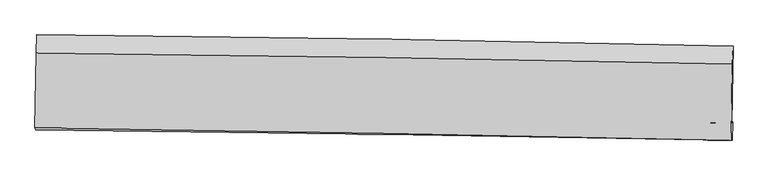
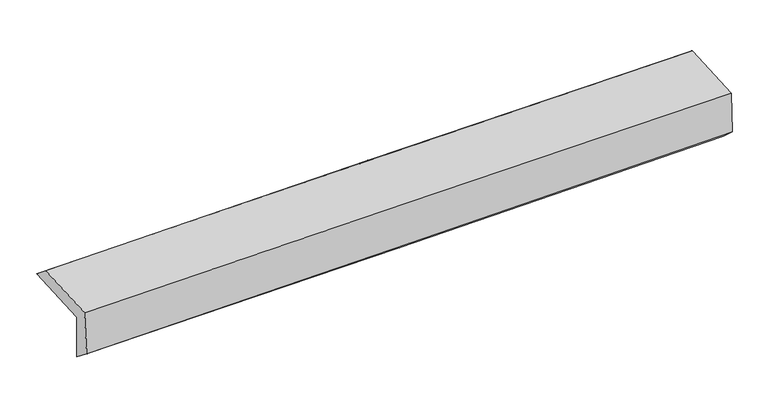
"""IFC4 building model written with IfcOpenShell, lengths in millimetres: proxy geometry."""

from ifc_helpers import new_model, si_unit, frame, origin, place, context, project, spatial, source, transform, mapped, element, save
from ifc_brep_helpers import plane_surface, spline_curve, spline_surface, advanced_brep


def generic_models_4988b877(model_context):
    return source(origin(), model_context, "Body", "AdvancedBrep", [
        advanced_brep(
        [(-3025.2623597, -1755.0687624, 1957.280046), (-3013.8103549, -1085.5202357, 1979.511141), (3013.8080868, -1183.4211284, 2118.2200656), (3002.2021264, -1848.7910188, 2106.2079069), (-3016.0022575, -1741.8293996, 1553.771239), (3011.4263046, -1841.8909834, 1699.2465144), (-3022.1299747, -1912.6823459, 1691.4324969), (3005.3673255, -1999.9530703, 1844.0415476), (-3030.7297798, -1894.1467359, 2090.7728107), (2996.816992, -2000.2488621, 2226.1417078), (-3019.5408571, -1244.5931774, 2108.8113289), (3008.085049, -1341.454954, 2248.015716)],
        [
            (0, 1),
            (1, 2, spline_curve(3, [(-3013.8103549, -1085.5202357, 1979.511141), (-2009.034938918, -1094.810374521, 2000.649357443), (-1004.347023916, -1107.613820626, 2022.777509244), (1004.859124459, -1140.247414374, 2069.01380697), (2009.377356323, -1160.077599006, 2093.121963282), (3013.8080868, -1183.4211284, 2118.2200656)], [4, 2, 4], [0.0, 9.891918988243528, 19.78389035601039])),
            (2, 3),
            (3, 0, spline_curve(3, [(3002.2021264, -1848.7910188, 2106.2079069), (1998.154115635, -1827.099684053, 2062.677638313), (993.840072704, -1808.443815935, 2028.501840878), (-1015.314758897, -1777.203095777, 1978.859319755), (-2020.155544648, -1764.618211942, 1963.392496852), (-3025.2623597, -1755.0687624, 1957.280046)], [4, 2, 4], [0.0, 9.89197136776686, 19.78389035601039])),
            (4, 0),
            (3, 5),
            (5, 4, spline_curve(3, [(3011.4263046, -1841.8909834, 1699.2465144), (2007.319820363, -1817.139263291, 1660.773213635), (1002.979534421, -1796.424926626, 1629.413610274), (-1006.163322046, -1763.071108281, 1580.921926912), (-2010.965890055, -1750.431583789, 1563.789771783), (-3016.0022575, -1741.8293996, 1553.771239)], [4, 2, 4], [0.0, 9.892187093578924, 19.784321806492216])),
            (6, 4),
            (5, 7),
            (7, 6, spline_curve(3, [(3005.3673255, -1999.9530703, 1844.0415476), (2000.997165932, -1981.924629865, 1811.993376072), (996.519314405, -1965.637834671, 1783.25184441), (-1012.646453568, -1936.547611347, 1732.382196072), (-2017.334368755, -1923.744165369, 1710.254044009), (-3022.1299747, -1912.6823459, 1691.4324969)], [4, 2, 4], [0.0, 9.89198555556591, 19.783918731533362])),
            (8, 6),
            (7, 9),
            (9, 8, spline_curve(3, [(2996.816992, -2000.2488621, 2226.1417078), (1992.308148604, -1979.466751401, 2202.492420187), (987.756832438, -1960.233833069, 2179.387006449), (-1021.425424958, -1924.866474169, 2134.264046818), (-2026.05636625, -1908.732016993, 2112.246494743), (-3030.7297798, -1894.1467359, 2090.7728107)], [4, 2, 4], [0.0, 9.891823115374658, 19.783593852011002])),
            (10, 8),
            (9, 11),
            (11, 10, spline_curve(3, [(3008.085049, -1341.454954, 2248.015716), (2003.650586294, -1318.630983187, 2222.669882203), (999.129866352, -1299.147170346, 2198.396571735), (-1010.078770202, -1266.859947137, 2151.995120917), (-2014.766685155, -1254.056500778, 2129.86696882), (-3019.5408571, -1244.5931774, 2108.8113289)], [4, 2, 4], [0.0, 9.891802627658658, 19.783552876687487])),
            (1, 10),
            (11, 2),
        ],
        [
            spline_surface(3, 3, [[(-3025.2623597, -1755.0687624, 1957.280046), (-2020.155544533, -1764.618211845, 1963.392496834), (-1015.314758849, -1777.203095877, 1978.859319691), (993.840072656, -1808.443815836, 2028.501840942), (1998.154115697, -1827.099683993, 2062.67763835), (3002.2021264, -1848.7910188, 2106.2079069)], [(-3021.445024765, -1531.885920167, 1964.690410993), (-2016.448676006, -1541.348932708, 1975.811450328), (-1011.658847152, -1554.00667079, 1993.498716225), (997.513089899, -1585.711681989, 2042.005829628), (2001.895195945, -1604.758989021, 2072.825746622), (3006.070779863, -1627.001055344, 2110.211959769)], [(-3017.627689835, -1308.703077933, 1972.100776007), (-2012.741807486, -1318.079653571, 1988.230403842), (-1008.002935497, -1330.810245748, 2008.138112719), (1001.1861071, -1362.979548185, 2055.509818276), (2005.636276203, -1382.418294016, 2082.973854986), (3009.939433337, -1405.211091856, 2114.216012731)], [(-3013.8103549, -1085.5202357, 1979.511141), (-2009.034938959, -1094.810374434, 2000.649357335), (-1004.3470238, -1107.613820662, 2022.777509252), (1004.859124343, -1140.247414338, 2069.013806962), (2009.377356451, -1160.077599044, 2093.121963258), (3013.8080868, -1183.4211284, 2118.2200656)]], [4, 4], [4, 2, 4], [0.0, 2.1991922586759323], [0.0, 9.891918988243528, 19.78389035601039]),
            spline_surface(3, 3, [[(-3016.0022575, -1741.8293996, 1553.771239), (-2010.965890096, -1750.431583637, 1563.789771929), (-1006.163322069, -1763.071108192, 1580.921927026), (1002.979534444, -1796.424926715, 1629.41361016), (2007.319820443, -1817.1392634, 1660.773213523), (3011.4263046, -1841.8909834, 1699.2465144)], [(-3019.088958225, -1746.242520544, 1688.274174672), (-2014.029108233, -1755.160459717, 1696.990680236), (-1009.213800998, -1767.78177076, 1713.567724573), (999.933047179, -1800.431223095, 1762.443020413), (2004.264585521, -1820.459403568, 1794.741355151), (3008.351578526, -1844.190995171, 1834.90031192)], [(-3022.175658975, -1750.655641456, 1822.777110328), (-2017.092326396, -1759.889335765, 1830.191588527), (-1012.264279919, -1772.492433309, 1846.213522143), (996.886559922, -1804.437519456, 1895.472430689), (2001.209350619, -1823.779543825, 1928.709496721), (3005.276852474, -1846.491007029, 1970.55410938)], [(-3025.2623597, -1755.0687624, 1957.280046), (-2020.155544533, -1764.618211845, 1963.392496834), (-1015.314758849, -1777.203095877, 1978.859319691), (993.840072656, -1808.443815836, 2028.501840942), (1998.154115697, -1827.099683993, 2062.67763835), (3002.2021264, -1848.7910188, 2106.2079069)]], [4, 4], [4, 2, 4], [0.0, 1.3085043708532442], [0.0, 9.892134712913291, 19.784321806492216]),
            spline_surface(3, 3, [[(-3022.1299747, -1912.6823459, 1691.4324969), (-2017.334368665, -1923.744165271, 1710.254043959), (-1012.646453506, -1936.547611499, 1732.382195976), (996.519314342, -1965.63783452, 1783.251844506), (2000.997165968, -1981.924629761, 1811.993376092), (3005.3673255, -1999.9530703, 1844.0415476)], [(-3020.087402309, -1855.731363799, 1645.545410912), (-2015.211542484, -1865.973304725, 1661.432619928), (-1010.485409703, -1878.722110415, 1681.895439665), (998.672721034, -1909.233531937, 1731.972433063), (2003.10471748, -1926.99617432, 1761.586655236), (3007.386985221, -1947.265708013, 1795.776536534)], [(-3018.044829891, -1798.780381701, 1599.658324988), (-2013.088716277, -1808.202444183, 1612.61119596), (-1008.324365872, -1820.896609276, 1631.408683337), (1000.826127753, -1852.829229298, 1680.693021603), (2005.212268931, -1872.067718841, 1711.179934378), (3009.406644879, -1894.578345687, 1747.511525466)], [(-3016.0022575, -1741.8293996, 1553.771239), (-2010.965890096, -1750.431583637, 1563.789771929), (-1006.163322069, -1763.071108192, 1580.921927026), (1002.979534444, -1796.424926715, 1629.41361016), (2007.319820443, -1817.1392634, 1660.773213523), (3011.4263046, -1841.8909834, 1699.2465144)]], [4, 4], [4, 2, 4], [0.0, 0.7531845431362808], [0.0, 9.891933175967452, 19.783918731533362]),
            spline_surface(3, 3, [[(-3030.7297798, -1894.1467359, 2090.7728107), (-2026.056366362, -1908.732017126, 2112.246494594), (-1021.42542512, -1924.866474113, 2134.264046661), (987.7568326, -1960.233833125, 2179.387006606), (1992.308148616, -1979.466751502, 2202.492420229), (2996.816992, -2000.2488621, 2226.1417078)], [(-3027.863178074, -1900.325272573, 1957.659372778), (-2023.14903377, -1913.736066513, 1978.24901106), (-1018.499101248, -1928.760186578, 2000.303429769), (990.677659849, -1962.035166926, 2047.341952576), (1995.204487729, -1980.286044242, 2072.326072171), (2999.667103163, -2000.150264821, 2098.774987721)], [(-3024.996576426, -1906.503809227, 1824.545934822), (-2020.241701257, -1918.740115883, 1844.251527492), (-1015.572777378, -1932.653899034, 1866.342812868), (993.598487094, -1963.836500719, 1915.296898536), (1998.100826855, -1981.10533702, 1942.15972415), (3002.517214337, -2000.051667579, 1971.408267679)], [(-3022.1299747, -1912.6823459, 1691.4324969), (-2017.334368665, -1923.744165271, 1710.254043959), (-1012.646453506, -1936.547611499, 1732.382195976), (996.519314342, -1965.63783452, 1783.251844506), (2000.997165968, -1981.924629761, 1811.993376092), (3005.3673255, -1999.9530703, 1844.0415476)]], [4, 4], [4, 2, 4], [0.0, 1.3096991097715591], [0.0, 9.891770736636344, 19.783593852011002]),
            spline_surface(3, 3, [[(-3019.5408571, -1244.5931774, 2108.8113289), (-2014.766685228, -1254.056500775, 2129.866968807), (-1010.078770069, -1266.859947003, 2151.995120824), (999.129866218, -1299.14717048, 2198.396571828), (2003.650586412, -1318.630983152, 2222.669882185), (3008.085049, -1341.454954, 2248.015716)], [(-3023.270498017, -1461.111030224, 2102.7984895), (-2018.52991229, -1472.281672883, 2123.993477403), (-1013.860988411, -1486.195456034, 2146.084762778), (995.338855021, -1519.509391356, 2192.060050096), (1999.869773794, -1538.909572627, 2215.944061542), (3004.32902998, -1561.052923392, 2240.724379943)], [(-3027.000138883, -1677.628883076, 2096.7856501), (-2022.293139301, -1690.506845018, 2118.119985998), (-1017.643206778, -1705.530965082, 2140.174404706), (991.547843798, -1739.871612249, 2185.723528338), (1996.088961234, -1759.188162027, 2209.218240872), (3000.57301102, -1780.650892708, 2233.433043857)], [(-3030.7297798, -1894.1467359, 2090.7728107), (-2026.056366362, -1908.732017126, 2112.246494594), (-1021.42542512, -1924.866474113, 2134.264046661), (987.7568326, -1960.233833125, 2179.387006606), (1992.308148616, -1979.466751502, 2202.492420229), (2996.816992, -2000.2488621, 2226.1417078)]], [4, 4], [4, 2, 4], [0.0, 2.165026809473862], [0.0, 9.89175024902883, 19.783552876687487]),
            spline_surface(3, 3, [[(-3013.8103549, -1085.5202357, 1979.511141), (-2009.034938959, -1094.810374434, 2000.649357335), (-1004.3470238, -1107.613820662, 2022.777509252), (1004.859124343, -1140.247414338, 2069.013806962), (2009.377356451, -1160.077599044, 2093.121963258), (3013.8080868, -1183.4211284, 2118.2200656)], [(-3015.720522311, -1138.544549593, 2022.611203644), (-2010.94552106, -1147.892416541, 2043.721894503), (-1006.2576059, -1160.695862769, 2065.85004642), (1002.949371624, -1193.213999712, 2112.141395228), (2007.468433118, -1212.928727073, 2136.304602914), (3011.900407547, -1236.09907026, 2161.485282413)], [(-3017.630689689, -1191.568863507, 2065.711266256), (-2012.856103128, -1200.974458669, 2086.794431639), (-1008.168187968, -1213.777904896, 2108.922583656), (1001.039618937, -1246.180585106, 2155.268983563), (2005.559509745, -1265.779855123, 2179.48724253), (3009.992728253, -1288.77701214, 2204.750499187)], [(-3019.5408571, -1244.5931774, 2108.8113289), (-2014.766685228, -1254.056500775, 2129.866968807), (-1010.078770069, -1266.859947003, 2151.995120824), (999.129866218, -1299.14717048, 2198.396571828), (2003.650586412, -1318.630983152, 2222.669882185), (3008.085049, -1341.454954, 2248.015716)]], [4, 4], [4, 2, 4], [0.0, 0.6728168187137153], [0.0, 9.891796489032354, 19.78364535693938]),
            plane_surface(frame((3006.284314, -1702.6266695, 2040.312243), z_axis=(0.9995909399055728, -0.017839303698023282, 0.022354241258950327), x_axis=(0.022371597494259553, 0.0007739272321111415, -0.9997494249371661))),
            plane_surface(frame((-3021.2459306, -1605.6401095, 1896.9298437), z_axis=(-0.9995909399056027, 0.017839303697439877, -0.022354241258085425), x_axis=(-0.017092152318871557, -0.999303230968054, -0.033179977485176385))),
        ],
        [
            (0, [[1, 2, 3, 4]]),
            (1, [[5, -4, 6, 7]]),
            (2, [[8, -7, 9, 10]]),
            (3, [[11, -10, 12, 13]]),
            (4, [[14, -13, 15, 16]]),
            (5, [[17, -16, 18, -2]]),
            (6, [[-12, -9, -6, -3, -18, -15]]),
            (7, [[-1, -5, -8, -11, -14, -17]]),
        ],
    ),
    ])


if __name__ == "__main__":
    model = new_model("IFC4")
    model_context = context("Model", 3, world=origin())
    ifc_project = project(units=[si_unit("LENGTHUNIT", "METRE", prefix="MILLI")], contexts=[model_context])
    site = spatial("IfcSite", under=ifc_project)
    building = spatial("IfcBuilding", under=site)
    placement = place(None, origin())
    generic_models_shape = generic_models_4988b877(model_context)
    element("IfcBuildingElementProxy", 1, Name="Generic Models", at=placement, inside=building, context=model_context, shape_type="MappedRepresentation", body=[
        mapped(generic_models_shape, transform((0.0, 0.0, 0.0), x_axis=(1.0, 0.0, 0.0), y_axis=(0.0, 1.0, 0.0), z_axis=(0.0, 0.0, 1.0))),
    ])
    save(model, "model.ifc")
